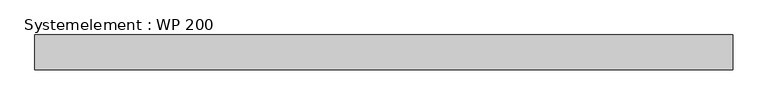
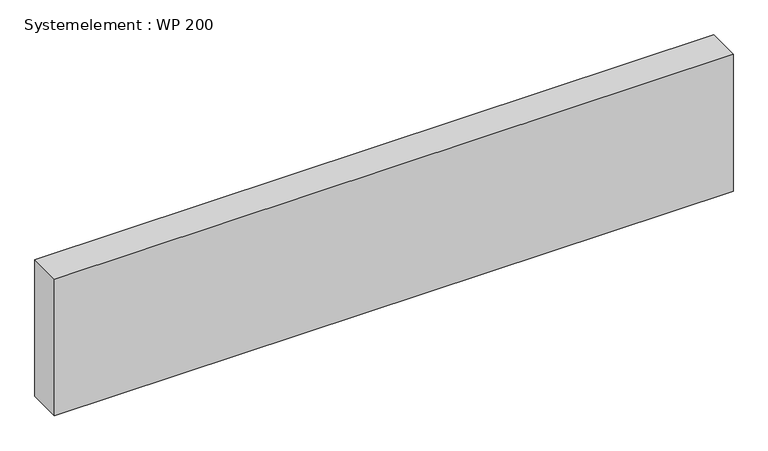
"""IFC4 building model written with IfcOpenShell, lengths in millimetres: plate geometry, Systemelement : WP 200."""

from ifc_helpers import new_model, si_unit, origin, origin_with_axes, place, context, project, spatial, polyline, outline, extrude, source, transform, mapped, element, save


def systemelement_wp_200_d276f48d(model_context):
    return source(origin(), model_context, "Body", "SweptSolid", [
        extrude(outline(polyline([(2000.0, -200.0), (-2000.0, -200.0), (-2000.0, 0.0), (2000.0, 0.0), (2000.0, -200.0)])), origin_with_axes(), (0.0, 0.0, 1.0), 851.6147161),
    ])


if __name__ == "__main__":
    model = new_model("IFC4")
    model_context = context("Model", 3, world=origin())
    ifc_project = project(units=[si_unit("LENGTHUNIT", "METRE", prefix="MILLI")], contexts=[model_context])
    site = spatial("IfcSite", under=ifc_project)
    building = spatial("IfcBuilding", under=site)
    placement = place(None, origin())
    systemelement_wp_200_shape = systemelement_wp_200_d276f48d(model_context)
    element("IfcPlate", 1, ObjectType="Systemelement : WP 200", at=placement, inside=building, context=model_context, shape_type="MappedRepresentation", body=[
        mapped(systemelement_wp_200_shape, transform((0.0, 0.0, 0.0), x_axis=(1.0, 0.0, 0.0), y_axis=(0.0, 1.0, 0.0), z_axis=(0.0, 0.0, 1.0))),
    ])
    save(model, "model.ifc")
